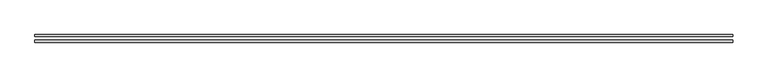
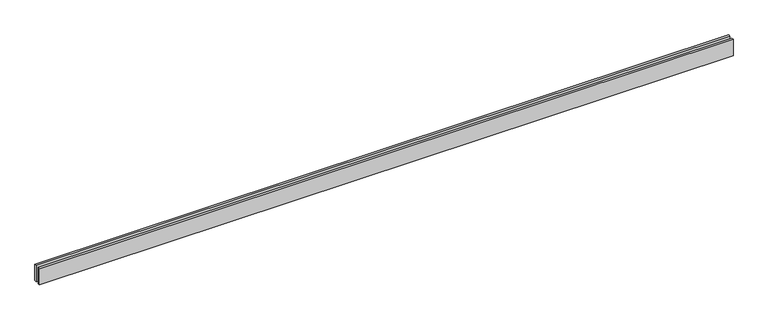
"""IFC4 building model written with IfcOpenShell, lengths in millimetres: proxy geometry."""

import ifcopenshell
import ifcopenshell.guid

model = None  # the IFC model being written
_history = None  # IfcOwnerHistory: only IFC2X3 demands one
_inside = {}  # id of a spatial element -> (the spatial element, [elements in it])
_under = {}  # id of a project, library or spatial element -> (it, [spatial elements below it])
_declared = {}  # id of a project -> (the project, [libraries it declares])
_typed = {}  # id of a type object -> (the type object, [elements of that type])
_made_of = {}  # id of a material, layer set ... -> (it, [elements and type objects made of it])


def new_model(schema):
    """Start an empty IFC model of exactly this schema.

    Asked for "IFC4X3", IfcOpenShell would pick the latest addendum, in which some entities
    have other attributes; the version numbers below select the first issue.
    IFC2X3 requires an IfcOwnerHistory on every rooted entity: one is made here for all.
    """
    global model, _history
    if schema == "IFC4X3":
        model = ifcopenshell.file(schema_version=(4, 3, 0, 0))
    else:
        model = ifcopenshell.file(schema=schema)
    _inside.clear()
    _under.clear()
    _declared.clear()
    _typed.clear()
    _made_of.clear()
    _history = None
    if model.schema == "IFC2X3":
        org = make("IfcOrganization", Name="unknown")
        user = make(
            "IfcPersonAndOrganization",
            ThePerson=make("IfcPerson", FamilyName="unknown"),
            TheOrganization=org,
        )
        app = make(
            "IfcApplication",
            ApplicationDeveloper=org,
            Version="unknown",
            ApplicationFullName="unknown",
            ApplicationIdentifier="unknown",
        )
        _history = make(
            "IfcOwnerHistory",
            OwningUser=user,
            OwningApplication=app,
            ChangeAction="ADDED",
            CreationDate=0,
        )
    return model


def make(cls, **values):
    """One entity of the class cls with the attributes given. An attribute that is None is left unset."""
    return model.create_entity(
        cls, **{name: value for name, value in values.items() if value is not None}
    )


def rooted(cls, **values):
    """An entity with a GlobalId (a new one), such as an element, a storey or a relation."""
    return make(cls, GlobalId=ifcopenshell.guid.new(), OwnerHistory=_history, **values)


def si_unit(unit_type, name, prefix=None):
    """IfcSIUnit, for example si_unit("LENGTHUNIT", "METRE", prefix="MILLI")."""
    return make("IfcSIUnit", UnitType=unit_type, Prefix=prefix, Name=name)


def assignment(units):
    """IfcUnitAssignment: the units of a project."""
    return None if units is None else make("IfcUnitAssignment", Units=units)


def point(xyz):
    """IfcCartesianPoint."""
    return None if xyz is None else make("IfcCartesianPoint", Coordinates=xyz)


def direction(xyz):
    """IfcDirection."""
    return None if xyz is None else make("IfcDirection", DirectionRatios=xyz)


def frame(location, z_axis=None, x_axis=None):
    """IfcAxis2Placement3D, a coordinate frame: its origin and axes. An axis left out is left unset."""
    return make(
        "IfcAxis2Placement3D",
        Location=point(location),
        Axis=direction(z_axis),
        RefDirection=direction(x_axis),
    )


def origin():
    """The frame at (0, 0, 0) with its axes left unset."""
    return frame((0.0, 0.0, 0.0))


def origin_with_axes():
    """The frame at (0, 0, 0) with the z axis (0, 0, 1) and the x axis (1, 0, 0) written out."""
    return frame((0.0, 0.0, 0.0), z_axis=(0.0, 0.0, 1.0), x_axis=(1.0, 0.0, 0.0))


def place(relative_to, where):
    """IfcLocalPlacement: puts the frame where relative to a parent placement (None: the world)."""
    return make(
        "IfcLocalPlacement", PlacementRelTo=relative_to, RelativePlacement=where
    )


def context(
    kind, dimensions, precision=None, world=None, true_north=None, identifier=None
):
    """IfcGeometricRepresentationContext, for example the 3D "Model" context."""
    return make(
        "IfcGeometricRepresentationContext",
        ContextIdentifier=identifier,
        ContextType=kind,
        CoordinateSpaceDimension=dimensions,
        Precision=precision,
        WorldCoordinateSystem=world,
        TrueNorth=true_north,
    )


def project(units=None, contexts=None):
    """IfcProject with its units and contexts."""
    return rooted(
        "IfcProject",
        Name="project",
        RepresentationContexts=contexts,
        UnitsInContext=assignment(units),
    )


def spatial(cls, under=None, at=None, **own):
    """A site, building, storey or space (cls), placed at a placement, below another one or the project."""
    s = rooted(cls, ObjectPlacement=at, **own)
    if under is not None:
        _under.setdefault(under.id(), (under, []))[1].append(s)
    return s


def polyline(points):
    """IfcPolyline through the points."""
    return make("IfcPolyline", Points=[point(p) for p in points])


def outline(outer, holes=None, kind="AREA"):
    """IfcArbitraryClosedProfileDef: a profile drawn as a closed curve; with holes, ...WithVoids."""
    if holes is None:
        return make("IfcArbitraryClosedProfileDef", ProfileType=kind, OuterCurve=outer)
    return make(
        "IfcArbitraryProfileDefWithVoids",
        ProfileType=kind,
        OuterCurve=outer,
        InnerCurves=holes,
    )


def extrude(swept, where, along, depth):
    """IfcExtrudedAreaSolid: the profile swept, set in the frame where, extruded along a direction by depth."""
    return make(
        "IfcExtrudedAreaSolid",
        SweptArea=swept,
        Position=where,
        ExtrudedDirection=direction(along),
        Depth=depth,
    )


def shape(context_of_items, identifier, shape_type, items):
    """IfcShapeRepresentation: the items that make up one representation, for example the "Body"."""
    return make(
        "IfcShapeRepresentation",
        ContextOfItems=context_of_items,
        RepresentationIdentifier=identifier,
        RepresentationType=shape_type,
        Items=items,
    )


def source(mapping_origin, context_of_items, identifier, shape_type, items):
    """IfcRepresentationMap: a shape defined once, which mapped items show again and again."""
    return make(
        "IfcRepresentationMap",
        MappingOrigin=mapping_origin,
        MappedRepresentation=shape(context_of_items, identifier, shape_type, items),
    )


def transform(
    local_origin,
    x_axis=None,
    y_axis=None,
    z_axis=None,
    scale=None,
    scale2=None,
    scale3=None,
    uniform=True,
):
    """IfcCartesianTransformationOperator3D, or its non-uniform kind. x_axis, y_axis, z_axis: its Axis1, 2, 3."""
    if uniform:
        return make(
            "IfcCartesianTransformationOperator3D",
            Axis1=direction(x_axis),
            Axis2=direction(y_axis),
            LocalOrigin=point(local_origin),
            Scale=scale,
            Axis3=direction(z_axis),
        )
    return make(
        "IfcCartesianTransformationOperator3DnonUniform",
        Axis1=direction(x_axis),
        Axis2=direction(y_axis),
        LocalOrigin=point(local_origin),
        Scale=scale,
        Axis3=direction(z_axis),
        Scale2=scale2,
        Scale3=scale3,
    )


def mapped(mapping_source, mapping_target):
    """IfcMappedItem: shows the shape of a source again, moved by a transform."""
    return make(
        "IfcMappedItem", MappingSource=mapping_source, MappingTarget=mapping_target
    )


def made_of(thing, what):
    """Note that an element or type object is made of a material, layer set ...; save() writes the relation."""
    if what is not None:
        _made_of.setdefault(what.id(), (what, []))[1].append(thing)
    return thing


def element(
    cls,
    number,
    at=None,
    inside=None,
    cuts=None,
    type_object=None,
    material=None,
    context=None,
    identifier="Body",
    shape_type=None,
    held_by="IfcProductDefinitionShape",
    body=None,
    shapes=None,
    **own,
):
    """One element of the class cls, such as IfcWall. Its Tag is "e" and its number.

    at: its placement. inside: the storey or other place that contains it. cuts: it is an
    opening in that element (IfcRelVoidsElement). A single representation is given by context,
    identifier, shape_type and body (its items); several are given by shapes. held_by: the class
    of the entity that holds the representations. save() writes the other relations.
    """
    e = rooted(cls, Tag="e%d" % number, ObjectPlacement=at, **own)
    if body is not None:
        shapes = [shape(context, identifier, shape_type, body)]
    if shapes is not None:
        e.Representation = make(held_by, Representations=shapes)
    if inside is not None:
        _inside.setdefault(inside.id(), (inside, []))[1].append(e)
    if cuts is not None:
        rooted(
            "IfcRelVoidsElement", RelatingBuildingElement=cuts, RelatedOpeningElement=e
        )
    if type_object is not None:
        _typed.setdefault(type_object.id(), (type_object, []))[1].append(e)
    return made_of(e, material)


def aggregate(whole, parts):
    """IfcRelAggregates: a whole, such as a stair, and the parts it consists of."""
    return rooted("IfcRelAggregates", RelatingObject=whole, RelatedObjects=parts)


def save(model, path):
    """Write the relations noted so far, then the file.

    IfcRelAggregates (storeys below a building ...), IfcRelContainedInSpatialStructure (elements
    in a storey), IfcRelDefinesByType, IfcRelAssociatesMaterial and IfcRelDeclares: one each for
    every whole, place, type object, material and project.
    """
    for whole, parts in _under.values():
        aggregate(whole, parts)
    for where, things in _inside.values():
        rooted(
            "IfcRelContainedInSpatialStructure",
            RelatedElements=things,
            RelatingStructure=where,
        )
    for kind, things in _typed.values():
        rooted("IfcRelDefinesByType", RelatedObjects=things, RelatingType=kind)
    for what, things in _made_of.values():
        rooted("IfcRelAssociatesMaterial", RelatedObjects=things, RelatingMaterial=what)
    for by, libraries in _declared.values():
        rooted("IfcRelDeclares", RelatingContext=by, RelatedDefinitions=libraries)
    model.write(path)


def generic_models_579bf899(model_context):
    return source(origin(), model_context, "Body", "SweptSolid", [
        extrude(outline(polyline([(10090.4137675, 25.0), (0.0, 25.0), (0.0, 55.0), (10090.4137675, 55.0), (10090.4137675, 25.0)])), origin_with_axes(), (0.0, 0.0, 1.0), 250.0),
        extrude(outline(polyline([(10090.4137675, -55.0), (0.0, -55.0), (0.0, -25.0), (10090.4137675, -25.0), (10090.4137675, -55.0)])), origin_with_axes(), (0.0, 0.0, 1.0), 250.0),
    ])


if __name__ == "__main__":
    model = new_model("IFC4")
    model_context = context("Model", 3, world=origin())
    ifc_project = project(units=[si_unit("LENGTHUNIT", "METRE", prefix="MILLI")], contexts=[model_context])
    site = spatial("IfcSite", under=ifc_project)
    building = spatial("IfcBuilding", under=site)
    placement = place(None, origin())
    generic_models_shape = generic_models_579bf899(model_context)
    element("IfcBuildingElementProxy", 1, Name="Generic Models", at=placement, inside=building, context=model_context, shape_type="MappedRepresentation", body=[
        mapped(generic_models_shape, transform((0.0, 0.0, 0.0), x_axis=(1.0, 0.0, 0.0), y_axis=(0.0, 1.0, 0.0), z_axis=(0.0, 0.0, 1.0))),
    ])
    save(model, "model.ifc")
